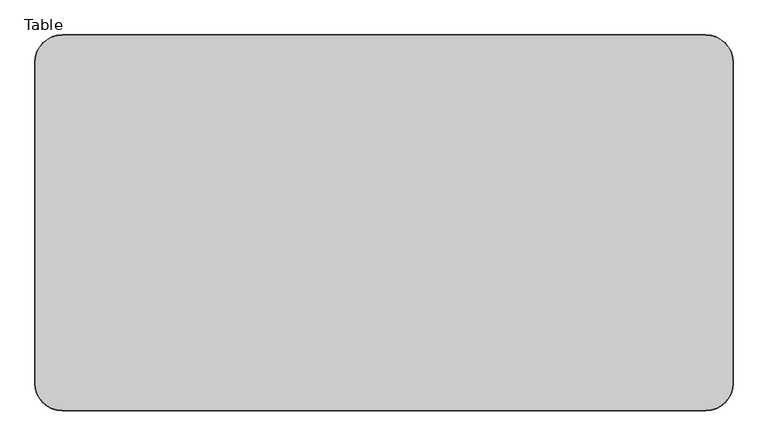
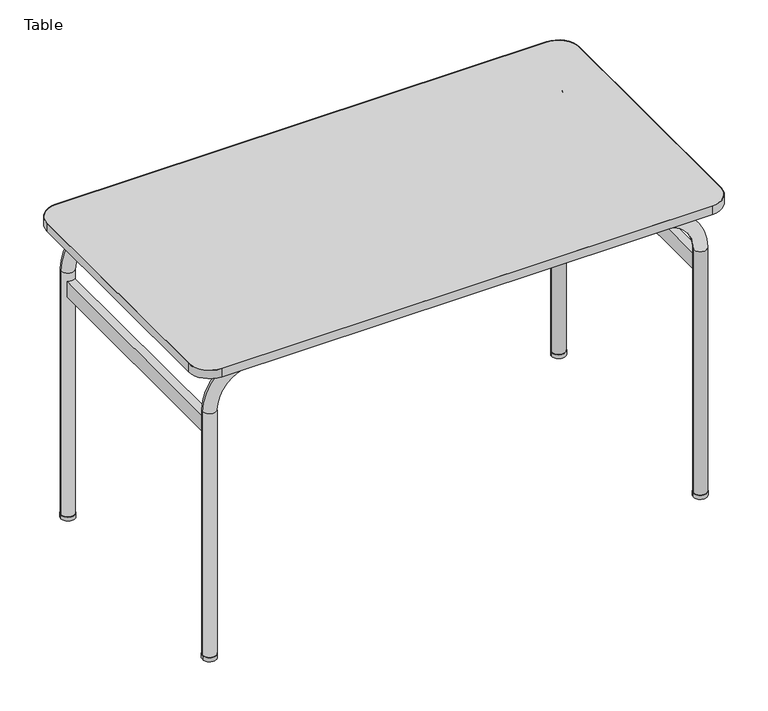
"""IFC4 building model written with IfcOpenShell, lengths in millimetres: furniture geometry, Table."""

from ifc_helpers import new_model, si_unit, point, frame, frame_2d, origin, origin_with_axes, place, context, project, spatial, polyline, circle_curve, ellipse_curve, trimmed, segment, composite_curve, outline, extrude, source, transform, mapped, element, save
from ifc_brep_helpers import plane_surface, cylinder_surface, revolved_surface, advanced_brep


def table_d325ac71(model_context):
    return source(origin(), model_context, "Body", "SolidModel", [
        extrude(outline(composite_curve([segment(polyline([(-621.8941768, -330.0), (-621.8941768, 270.0)]), True, "CONTINUOUS"), segment(trimmed(circle_curve(frame_2d((-570.8941768, 270.0)), 51.0), [point((-621.8941768, 270.0))], [point((-570.8941768, 321.0))], False, "CARTESIAN"), True, "CONTINUOUS"), segment(polyline([(-570.8941768, 321.0), (629.1058232, 321.0)]), True, "CONTINUOUS"), segment(trimmed(circle_curve(frame_2d((629.1058232, 270.0)), 51.0), [point((629.1058232, 321.0))], [point((680.1058232, 270.0))], False, "CARTESIAN"), True, "CONTINUOUS"), segment(polyline([(680.1058232, 270.0), (680.1058232, -330.0)]), True, "CONTINUOUS"), segment(trimmed(circle_curve(frame_2d((629.1058232, -330.0)), 51.0), [point((680.1058232, -330.0))], [point((629.1058232, -381.0))], False, "CARTESIAN"), True, "CONTINUOUS"), segment(polyline([(629.1058232, -381.0), (-570.8941768, -381.0)]), True, "CONTINUOUS"), segment(trimmed(circle_curve(frame_2d((-570.8941768, -330.0)), 51.0), [point((-570.8941768, -381.0))], [point((-621.8941768, -330.0))], False, "CARTESIAN"), True, "CONTINUOUS")], self_intersect=False), holes=[composite_curve([segment(polyline([(629.1058232, 320.0), (-570.8941768, 320.0)]), True, "CONTINUOUS"), segment(trimmed(circle_curve(frame_2d((-570.8941768, 270.0)), 50.0), [point((-570.8941768, 320.0))], [point((-620.8941768, 270.0))], True, "CARTESIAN"), True, "CONTINUOUS"), segment(polyline([(-620.8941768, 270.0), (-620.8941768, -330.0)]), True, "CONTINUOUS"), segment(trimmed(circle_curve(frame_2d((-570.8941768, -330.0)), 50.0), [point((-620.8941768, -330.0))], [point((-570.8941768, -380.0))], True, "CARTESIAN"), True, "CONTINUOUS"), segment(polyline([(-570.8941768, -380.0), (629.1058232, -380.0)]), True, "CONTINUOUS"), segment(trimmed(circle_curve(frame_2d((629.1058232, -330.0)), 50.0), [point((629.1058232, -380.0))], [point((679.1058232, -330.0))], True, "CARTESIAN"), True, "CONTINUOUS"), segment(polyline([(679.1058232, -330.0), (679.1058232, 270.0)]), True, "CONTINUOUS"), segment(trimmed(circle_curve(frame_2d((629.1058232, 270.0)), 50.0), [point((679.1058232, 270.0))], [point((629.1058232, 320.0))], True, "CARTESIAN"), True, "CONTINUOUS")], self_intersect=False)]), frame((0.0, 0.0, 756.0), z_axis=(0.0, 0.0, 1.0), x_axis=(1.0, 0.0, 0.0)), (0.0, 0.0, 1.0), 21.0),
        extrude(outline(composite_curve([segment(trimmed(circle_curve(frame_2d((-570.8941768, -330.0)), 17.0), [point((-587.8941768, -330.0))], [point((-553.8941768, -330.0))], False, "CARTESIAN"), True, "CONTINUOUS"), segment(trimmed(circle_curve(frame_2d((-570.8941768, -330.0)), 17.0), [point((-553.8941768, -330.0))], [point((-587.8941768, -330.0))], False, "CARTESIAN"), True, "CONTINUOUS")], self_intersect=False)), origin_with_axes(), (0.0, 0.0, 1.0), 10.0),
        extrude(outline(composite_curve([segment(trimmed(circle_curve(frame_2d((-570.8941768, 270.0)), 17.0), [point((-587.8941768, 270.0))], [point((-553.8941768, 270.0))], False, "CARTESIAN"), True, "CONTINUOUS"), segment(trimmed(circle_curve(frame_2d((-570.8941768, 270.0)), 17.0), [point((-553.8941768, 270.0))], [point((-587.8941768, 270.0))], False, "CARTESIAN"), True, "CONTINUOUS")], self_intersect=False)), origin_with_axes(), (0.0, 0.0, 1.0), 10.0),
        extrude(outline(composite_curve([segment(trimmed(circle_curve(frame_2d((629.1058232, 270.0)), 17.0), [point((612.1058232, 270.0))], [point((646.1058232, 270.0))], False, "CARTESIAN"), True, "CONTINUOUS"), segment(trimmed(circle_curve(frame_2d((629.1058232, 270.0)), 17.0), [point((646.1058232, 270.0))], [point((612.1058232, 270.0))], False, "CARTESIAN"), True, "CONTINUOUS")], self_intersect=False)), origin_with_axes(), (0.0, 0.0, 1.0), 10.0),
        extrude(outline(composite_curve([segment(trimmed(circle_curve(frame_2d((629.1058232, -330.0)), 17.0), [point((612.1058232, -330.0))], [point((646.1058232, -330.0))], False, "CARTESIAN"), True, "CONTINUOUS"), segment(trimmed(circle_curve(frame_2d((629.1058232, -330.0)), 17.0), [point((646.1058232, -330.0))], [point((612.1058232, -330.0))], False, "CARTESIAN"), True, "CONTINUOUS")], self_intersect=False)), origin_with_axes(), (0.0, 0.0, 1.0), 10.0),
        advanced_brep(
        [(-554.8941768, -330.0, 10.0), (-586.8941768, -330.0, 10.0), (-554.8941768, 270.0, 10.0), (-586.8941768, 270.0, 10.0), (-554.8941768, -330.0, 640.0), (-586.8941768, -330.0, 640.0), (-560.8941768, -317.510004, 620.0), (-580.8941768, -317.510004, 620.0), (-580.8941768, -317.510004, 580.0), (-560.8941768, -317.510004, 580.0), (-554.8941768, 270.0, 640.0), (-586.8941768, 270.0, 640.0), (-580.8941768, 257.510004, 620.0), (-560.8941768, 257.510004, 620.0), (-560.8941768, 257.510004, 580.0), (-580.8941768, 257.510004, 580.0), (-470.8941768, -330.0, 724.0), (-470.8941768, -330.0, 756.0), (-470.8941768, 270.0, 724.0), (-470.8941768, 270.0, 756.0), (529.1058232, -330.0, 724.0), (529.1058232, -330.0, 756.0), (529.1058232, 270.0, 724.0), (529.1058232, 270.0, 756.0), (613.1058232, -330.0, 640.0), (645.1058232, -330.0, 640.0), (613.1058232, 270.0, 640.0), (645.1058232, 270.0, 640.0), (613.1058232, -330.0, 10.0), (645.1058232, -330.0, 10.0), (613.1058232, 270.0, 10.0), (645.1058232, 270.0, 10.0), (639.1058232, -317.510004, 620.0), (619.1058232, -317.510004, 620.0), (619.1058232, -317.510004, 580.0), (639.1058232, -317.510004, 580.0), (619.1058232, 257.510004, 620.0), (639.1058232, 257.510004, 620.0), (639.1058232, 257.510004, 580.0), (619.1058232, 257.510004, 580.0)],
        [
            (0, 1, circle_curve(frame((-570.8941768, -330.0, 10.0), z_axis=(0.0, 0.0, -1.0), x_axis=(-1.0, 0.0, 0.0)), 16.0)),
            (1, 0, circle_curve(frame((-570.8941768, -330.0, 10.0), z_axis=(0.0, 0.0, -1.0), x_axis=(-1.0, 0.0, 0.0)), 16.0)),
            (2, 3, circle_curve(frame((-570.8941768, 270.0, 10.0), z_axis=(0.0, 0.0, -1.0), x_axis=(-1.0, 0.0, 0.0)), 16.0)),
            (3, 2, circle_curve(frame((-570.8941768, 270.0, 10.0), z_axis=(0.0, 0.0, -1.0), x_axis=(-1.0, 0.0, 0.0)), 16.0)),
            (0, 4),
            (4, 5, circle_curve(frame((-570.8941768, -330.0, 640.0), z_axis=(0.0, 0.0, -1.0), x_axis=(-1.0, 0.0, 0.0)), 16.0)),
            (5, 1),
            (5, 4, circle_curve(frame((-570.8941768, -330.0, 640.0), z_axis=(0.0, 0.0, -1.0), x_axis=(-1.0, 0.0, 0.0)), 16.0)),
            (6, 7, circle_curve(frame((-570.8941768, -330.0, 620.0), z_axis=(0.0, 0.0, 1.0), x_axis=(-1.0, 0.0, 0.0)), 16.0)),
            (7, 8),
            (8, 9, circle_curve(frame((-570.8941768, -330.0, 580.0), z_axis=(0.0, 0.0, -1.0), x_axis=(-1.0, 0.0, 0.0)), 16.0)),
            (9, 6),
            (2, 10),
            (10, 11, circle_curve(frame((-570.8941768, 270.0, 640.0), z_axis=(0.0, 0.0, -1.0), x_axis=(-1.0, 0.0, 0.0)), 16.0)),
            (11, 3),
            (12, 13, circle_curve(frame((-570.8941768, 270.0, 620.0), z_axis=(0.0, 0.0, 1.0), x_axis=(-1.0, 0.0, 0.0)), 16.0)),
            (13, 14),
            (14, 15, circle_curve(frame((-570.8941768, 270.0, 580.0), z_axis=(0.0, 0.0, -1.0), x_axis=(-1.0, 0.0, 0.0)), 16.0)),
            (15, 12),
            (11, 10, circle_curve(frame((-570.8941768, 270.0, 640.0), z_axis=(0.0, 0.0, -1.0), x_axis=(-1.0, 0.0, 0.0)), 16.0)),
            (4, 16, circle_curve(frame((-470.8941768, -330.0, 640.0), z_axis=(0.0, 1.0, 0.0), x_axis=(-1.0, 0.0, 0.0)), 84.0)),
            (16, 17, circle_curve(frame((-470.8941768, -330.0, 740.0), z_axis=(-1.0, 0.0, 0.0), x_axis=(0.0, 0.0, 1.0)), 16.0)),
            (17, 5, circle_curve(frame((-470.8941768, -330.0, 640.0), z_axis=(0.0, -1.0, 0.0), x_axis=(-1.0, 0.0, 0.0)), 116.0)),
            (17, 16, circle_curve(frame((-470.8941768, -330.0, 740.0), z_axis=(-1.0, 0.0, 0.0), x_axis=(0.0, 0.0, 1.0)), 16.0)),
            (10, 18, circle_curve(frame((-470.8941768, 270.0, 640.0), z_axis=(0.0, 1.0, 0.0), x_axis=(-1.0, 0.0, 0.0)), 84.0)),
            (18, 19, circle_curve(frame((-470.8941768, 270.0, 740.0), z_axis=(-1.0, 0.0, 0.0), x_axis=(0.0, 0.0, 1.0)), 16.0)),
            (19, 11, circle_curve(frame((-470.8941768, 270.0, 640.0), z_axis=(0.0, -1.0, 0.0), x_axis=(-1.0, 0.0, 0.0)), 116.0)),
            (19, 18, circle_curve(frame((-470.8941768, 270.0, 740.0), z_axis=(-1.0, 0.0, 0.0), x_axis=(0.0, 0.0, 1.0)), 16.0)),
            (16, 20),
            (20, 21, circle_curve(frame((529.1058232, -330.0, 740.0), z_axis=(-1.0, 0.0, 0.0), x_axis=(0.0, 0.0, 1.0)), 16.0)),
            (21, 17),
            (21, 20, circle_curve(frame((529.1058232, -330.0, 740.0), z_axis=(-1.0, 0.0, 0.0), x_axis=(0.0, 0.0, 1.0)), 16.0)),
            (18, 22),
            (22, 23, circle_curve(frame((529.1058232, 270.0, 740.0), z_axis=(-1.0, 0.0, 0.0), x_axis=(0.0, 0.0, 1.0)), 16.0)),
            (23, 19),
            (23, 22, circle_curve(frame((529.1058232, 270.0, 740.0), z_axis=(-1.0, 0.0, 0.0), x_axis=(0.0, 0.0, 1.0)), 16.0)),
            (20, 24, circle_curve(frame((529.1058232, -330.0, 640.0), z_axis=(0.0, 1.0, 0.0), x_axis=(0.0, 0.0, 1.0)), 84.0)),
            (24, 25, circle_curve(frame((629.1058232, -330.0, 640.0), z_axis=(0.0, 0.0, 1.0), x_axis=(1.0, 0.0, 0.0)), 16.0)),
            (25, 21, circle_curve(frame((529.1058232, -330.0, 640.0), z_axis=(0.0, -1.0, 0.0), x_axis=(0.0, 0.0, 1.0)), 116.0)),
            (25, 24, circle_curve(frame((629.1058232, -330.0, 640.0), z_axis=(0.0, 0.0, 1.0), x_axis=(1.0, 0.0, 0.0)), 16.0)),
            (22, 26, circle_curve(frame((529.1058232, 270.0, 640.0), z_axis=(0.0, 1.0, 0.0), x_axis=(0.0, 0.0, 1.0)), 84.0)),
            (26, 27, circle_curve(frame((629.1058232, 270.0, 640.0), z_axis=(0.0, 0.0, 1.0), x_axis=(1.0, 0.0, 0.0)), 16.0)),
            (27, 23, circle_curve(frame((529.1058232, 270.0, 640.0), z_axis=(0.0, -1.0, 0.0), x_axis=(0.0, 0.0, 1.0)), 116.0)),
            (27, 26, circle_curve(frame((629.1058232, 270.0, 640.0), z_axis=(0.0, 0.0, 1.0), x_axis=(1.0, 0.0, 0.0)), 16.0)),
            (28, 29, circle_curve(frame((629.1058232, -330.0, 10.0), z_axis=(0.0, 0.0, -1.0), x_axis=(1.0, 0.0, 0.0)), 16.0)),
            (29, 28, circle_curve(frame((629.1058232, -330.0, 10.0), z_axis=(0.0, 0.0, -1.0), x_axis=(1.0, 0.0, 0.0)), 16.0)),
            (30, 31, circle_curve(frame((629.1058232, 270.0, 10.0), z_axis=(0.0, 0.0, -1.0), x_axis=(1.0, 0.0, 0.0)), 16.0)),
            (31, 30, circle_curve(frame((629.1058232, 270.0, 10.0), z_axis=(0.0, 0.0, -1.0), x_axis=(1.0, 0.0, 0.0)), 16.0)),
            (24, 28),
            (29, 25),
            (32, 33, circle_curve(frame((629.1058232, -330.0, 620.0), z_axis=(0.0, 0.0, 1.0), x_axis=(1.0, 0.0, 0.0)), 16.0)),
            (33, 34),
            (34, 35, circle_curve(frame((629.1058232, -330.0, 580.0), z_axis=(0.0, 0.0, -1.0), x_axis=(1.0, 0.0, 0.0)), 16.0)),
            (35, 32),
            (26, 30),
            (31, 27),
            (36, 37, circle_curve(frame((629.1058232, 270.0, 620.0), z_axis=(0.0, 0.0, 1.0), x_axis=(1.0, 0.0, 0.0)), 16.0)),
            (37, 38),
            (38, 39, circle_curve(frame((629.1058232, 270.0, 580.0), z_axis=(0.0, 0.0, -1.0), x_axis=(1.0, 0.0, 0.0)), 16.0)),
            (39, 36),
            (6, 13),
            (12, 7),
            (15, 8),
            (14, 9),
            (32, 37),
            (36, 33),
            (39, 34),
            (38, 35),
        ],
        [
            plane_surface(frame((-570.8941768, -30.0, 10.0), z_axis=(0.0, 0.0, -1.0), x_axis=(0.0, -1.0, 0.0))),
            cylinder_surface(frame((-570.8941768, -330.0, 10.0), z_axis=(0.0, 0.0, -1.0), x_axis=(-1.0, 0.0, 0.0)), 16.0),
            cylinder_surface(frame((-570.8941768, 270.0, 10.0), z_axis=(0.0, 0.0, -1.0), x_axis=(-1.0, 0.0, 0.0)), 16.0),
            revolved_surface(trimmed(ellipse_curve(frame((-570.8941768, -330.0, 640.0), z_axis=(0.0, 0.0, -1.0), x_axis=(-1.0, 0.0, 0.0)), 16.0, 16.0), [point((-554.8941768, -330.0, 640.0))], [point((-586.8941768, -330.0, 640.0))], True, "CARTESIAN"), (-470.8941768, -30.0, 640.0), (0.0, 1.0, 0.0)),
            revolved_surface(trimmed(ellipse_curve(frame((-570.8941768, -330.0, 640.0), z_axis=(0.0, 0.0, -1.0), x_axis=(-1.0, 0.0, 0.0)), 16.0, 16.0), [point((-586.8941768, -330.0, 640.0))], [point((-554.8941768, -330.0, 640.0))], True, "CARTESIAN"), (-470.8941768, -30.0, 640.0), (0.0, 1.0, 0.0)),
            revolved_surface(trimmed(ellipse_curve(frame((-570.8941768, 270.0, 640.0), z_axis=(0.0, 0.0, -1.0), x_axis=(-1.0, 0.0, 0.0)), 16.0, 16.0), [point((-554.8941768, 270.0, 640.0))], [point((-586.8941768, 270.0, 640.0))], True, "CARTESIAN"), (-470.8941768, -30.0, 640.0), (0.0, 1.0, 0.0)),
            revolved_surface(trimmed(ellipse_curve(frame((-570.8941768, 270.0, 640.0), z_axis=(0.0, 0.0, -1.0), x_axis=(-1.0, 0.0, 0.0)), 16.0, 16.0), [point((-586.8941768, 270.0, 640.0))], [point((-554.8941768, 270.0, 640.0))], True, "CARTESIAN"), (-470.8941768, -30.0, 640.0), (0.0, 1.0, 0.0)),
            cylinder_surface(frame((-470.8941768, -330.0, 740.0), z_axis=(-1.0, 0.0, 0.0), x_axis=(0.0, 0.0, 1.0)), 16.0),
            cylinder_surface(frame((-470.8941768, 270.0, 740.0), z_axis=(-1.0, 0.0, 0.0), x_axis=(0.0, 0.0, 1.0)), 16.0),
            revolved_surface(trimmed(ellipse_curve(frame((529.1058232, -330.0, 740.0), z_axis=(-1.0, 0.0, 0.0), x_axis=(0.0, 0.0, 1.0)), 16.0, 16.0), [point((529.1058232, -330.0, 724.0))], [point((529.1058232, -330.0, 756.0))], True, "CARTESIAN"), (529.1058232, -30.0, 640.0), (0.0, 1.0, 0.0)),
            revolved_surface(trimmed(ellipse_curve(frame((529.1058232, -330.0, 740.0), z_axis=(-1.0, 0.0, 0.0), x_axis=(0.0, 0.0, 1.0)), 16.0, 16.0), [point((529.1058232, -330.0, 756.0))], [point((529.1058232, -330.0, 724.0))], True, "CARTESIAN"), (529.1058232, -30.0, 640.0), (0.0, 1.0, 0.0)),
            revolved_surface(trimmed(ellipse_curve(frame((529.1058232, 270.0, 740.0), z_axis=(-1.0, 0.0, 0.0), x_axis=(0.0, 0.0, 1.0)), 16.0, 16.0), [point((529.1058232, 270.0, 724.0))], [point((529.1058232, 270.0, 756.0))], True, "CARTESIAN"), (529.1058232, -30.0, 640.0), (0.0, 1.0, 0.0)),
            revolved_surface(trimmed(ellipse_curve(frame((529.1058232, 270.0, 740.0), z_axis=(-1.0, 0.0, 0.0), x_axis=(0.0, 0.0, 1.0)), 16.0, 16.0), [point((529.1058232, 270.0, 756.0))], [point((529.1058232, 270.0, 724.0))], True, "CARTESIAN"), (529.1058232, -30.0, 640.0), (0.0, 1.0, 0.0)),
            plane_surface(frame((629.1058232, -30.0, 10.0), z_axis=(0.0, 0.0, -1.0), x_axis=(0.0, -1.0, 0.0))),
            cylinder_surface(frame((629.1058232, -330.0, 640.0), z_axis=(0.0, 0.0, 1.0), x_axis=(1.0, 0.0, 0.0)), 16.0),
            cylinder_surface(frame((629.1058232, 270.0, 640.0), z_axis=(0.0, 0.0, 1.0), x_axis=(1.0, 0.0, 0.0)), 16.0),
            plane_surface(frame((-560.8941768, -330.0, 620.0), z_axis=(0.0, 0.0, 1.0), x_axis=(0.0, 1.0, 0.0))),
            plane_surface(frame((-580.8941768, -330.0, 620.0), z_axis=(-1.0, 0.0, 0.0), x_axis=(0.0, 1.0, 0.0))),
            plane_surface(frame((-580.8941768, -330.0, 580.0), z_axis=(0.0, 0.0, -1.0), x_axis=(0.0, 1.0, 0.0))),
            plane_surface(frame((-560.8941768, -330.0, 580.0), z_axis=(1.0, 0.0, 0.0), x_axis=(0.0, 1.0, 0.0))),
            plane_surface(frame((639.1058232, -330.0, 620.0), z_axis=(0.0, 0.0, 1.0), x_axis=(0.0, 1.0, 0.0))),
            plane_surface(frame((619.1058232, -330.0, 620.0), z_axis=(-1.0, 0.0, 0.0), x_axis=(0.0, 1.0, 0.0))),
            plane_surface(frame((619.1058232, -330.0, 580.0), z_axis=(0.0, 0.0, -1.0), x_axis=(0.0, 1.0, 0.0))),
            plane_surface(frame((639.1058232, -330.0, 580.0), z_axis=(1.0, 0.0, 0.0), x_axis=(0.0, 1.0, 0.0))),
        ],
        [
            (0, [[1, 2]]),
            (0, [[3, 4]]),
            (1, [[-1, 5, 6, 7]]),
            (1, [[-2, -7, 8, -5], [9, 10, 11, 12]]),
            (2, [[-3, 13, 14, 15], [16, 17, 18, 19]]),
            (2, [[-4, -15, 20, -13]]),
            (3, [[-6, 21, 22, 23]]),
            (4, [[-8, -23, 24, -21]]),
            (5, [[-14, 25, 26, 27]]),
            (6, [[-20, -27, 28, -25]]),
            (7, [[-22, 29, 30, 31]]),
            (7, [[-24, -31, 32, -29]]),
            (8, [[-26, 33, 34, 35]]),
            (8, [[-28, -35, 36, -33]]),
            (9, [[-30, 37, 38, 39]]),
            (10, [[-32, -39, 40, -37]]),
            (11, [[-34, 41, 42, 43]]),
            (12, [[-36, -43, 44, -41]]),
            (13, [[45, 46]]),
            (13, [[47, 48]]),
            (14, [[-38, 49, -46, 50]]),
            (14, [[-40, -50, -45, -49], [51, 52, 53, 54]]),
            (15, [[-42, 55, -48, 56], [57, 58, 59, 60]]),
            (15, [[-44, -56, -47, -55]]),
            (16, [[61, -16, 62, -9]]),
            (17, [[-62, -19, 63, -10]]),
            (18, [[-63, -18, 64, -11]]),
            (19, [[-61, -12, -64, -17]]),
            (20, [[65, -57, 66, -51]]),
            (21, [[-66, -60, 67, -52]]),
            (22, [[-67, -59, 68, -53]]),
            (23, [[-65, -54, -68, -58]]),
        ],
    ),
        extrude(outline(composite_curve([segment(trimmed(circle_curve(frame_2d((629.1058232, 270.0)), 50.0), [point((629.1058232, 320.0))], [point((679.1058232, 270.0))], False, "CARTESIAN"), True, "CONTINUOUS"), segment(polyline([(679.1058232, 270.0), (679.1058232, -330.0)]), True, "CONTINUOUS"), segment(trimmed(circle_curve(frame_2d((629.1058232, -330.0)), 50.0), [point((679.1058232, -330.0))], [point((629.1058232, -380.0))], False, "CARTESIAN"), True, "CONTINUOUS"), segment(polyline([(629.1058232, -380.0), (-570.8941768, -380.0)]), True, "CONTINUOUS"), segment(trimmed(circle_curve(frame_2d((-570.8941768, -330.0)), 50.0), [point((-570.8941768, -380.0))], [point((-620.8941768, -330.0))], False, "CARTESIAN"), True, "CONTINUOUS"), segment(polyline([(-620.8941768, -330.0), (-620.8941768, 270.0)]), True, "CONTINUOUS"), segment(trimmed(circle_curve(frame_2d((-570.8941768, 270.0)), 50.0), [point((-620.8941768, 270.0))], [point((-570.8941768, 320.0))], False, "CARTESIAN"), True, "CONTINUOUS"), segment(polyline([(-570.8941768, 320.0), (629.1058232, 320.0)]), True, "CONTINUOUS")], self_intersect=False)), frame((0.0, 0.0, 756.0), z_axis=(0.0, 0.0, 1.0), x_axis=(1.0, 0.0, 0.0)), (0.0, 0.0, 1.0), 21.0),
    ])


if __name__ == "__main__":
    model = new_model("IFC4")
    model_context = context("Model", 3, world=origin())
    ifc_project = project(units=[si_unit("LENGTHUNIT", "METRE", prefix="MILLI")], contexts=[model_context])
    site = spatial("IfcSite", under=ifc_project)
    building = spatial("IfcBuilding", under=site)
    placement = place(None, origin())
    table_shape = table_d325ac71(model_context)
    element("IfcFurniture", 1, ObjectType="Table", at=placement, inside=building, context=model_context, shape_type="MappedRepresentation", body=[
        mapped(table_shape, transform((0.0, 0.0, 0.0), x_axis=(1.0, 0.0, 0.0), y_axis=(0.0, 1.0, 0.0), z_axis=(0.0, 0.0, 1.0))),
    ])
    save(model, "model.ifc")
